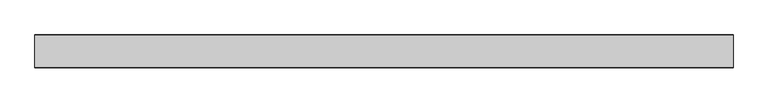
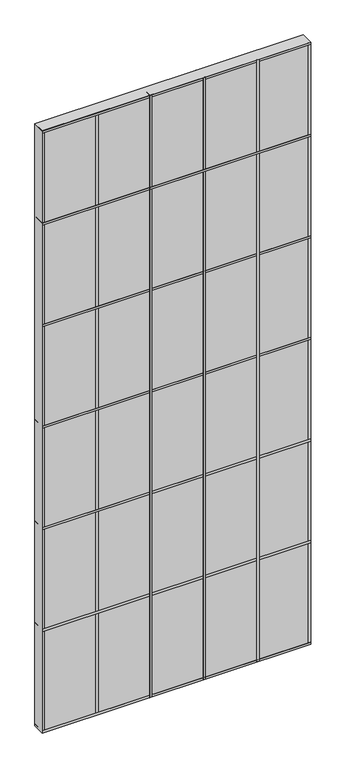
"""IFC4 building model written with IfcOpenShell, lengths in millimetres: plate geometry."""

from ifc_helpers import new_model, si_unit, frame, origin, origin_with_axes, place, context, project, spatial, polyline, outline, extrude, source, transform, mapped, element, save


def plate_79198a5a(model_context):
    return source(origin(), model_context, "Body", "SweptSolid", [
        extrude(outline(polyline([(762.0, 34.925), (762.0, -34.925), (-762.0, -34.925), (-762.0, 34.925), (762.0, 34.925)])), origin_with_axes(), (0.0, 0.0, 1.0), 3613.15),
        extrude(outline(polyline([(762.0, 35.71875), (762.0, -35.71875), (-762.0, -35.71875), (-762.0, 35.71875), (762.0, 35.71875)])), frame((0.0, 0.0, 3048.0), z_axis=(0.0, 0.0, 1.0), x_axis=(1.0, 0.0, 0.0)), (0.0, 0.0, 1.0), 12.7),
        extrude(outline(polyline([(469.9, 35.71875), (469.9, -35.71875), (457.2, -35.71875), (457.2, 35.71875), (469.9, 35.71875)])), origin_with_axes(), (0.0, 0.0, 1.0), 3613.15),
        extrude(outline(polyline([(165.1, 35.71875), (165.1, -35.71875), (152.4, -35.71875), (152.4, 35.71875), (165.1, 35.71875)])), origin_with_axes(), (0.0, 0.0, 1.0), 3613.15),
        extrude(outline(polyline([(-139.7, 35.71875), (-139.7, -35.71875), (-152.4, -35.71875), (-152.4, 35.71875), (-139.7, 35.71875)])), origin_with_axes(), (0.0, 0.0, 1.0), 3613.15),
        extrude(outline(polyline([(762.0, 35.71875), (762.0, -35.71875), (-762.0, -35.71875), (-762.0, 35.71875), (762.0, 35.71875)])), frame((0.0, 0.0, 2438.4), z_axis=(0.0, 0.0, 1.0), x_axis=(1.0, 0.0, 0.0)), (0.0, 0.0, 1.0), 12.7),
        extrude(outline(polyline([(762.0, 35.71875), (762.0, -35.71875), (-762.0, -35.71875), (-762.0, 35.71875), (762.0, 35.71875)])), frame((0.0, 0.0, 1828.8), z_axis=(0.0, 0.0, 1.0), x_axis=(1.0, 0.0, 0.0)), (0.0, 0.0, 1.0), 12.7),
        extrude(outline(polyline([(762.0, 35.71875), (762.0, -35.71875), (-762.0, -35.71875), (-762.0, 35.71875), (762.0, 35.71875)])), frame((0.0, 0.0, 1219.2), z_axis=(0.0, 0.0, 1.0), x_axis=(1.0, 0.0, 0.0)), (0.0, 0.0, 1.0), 12.7),
        extrude(outline(polyline([(762.0, 35.71875), (762.0, -35.71875), (-762.0, -35.71875), (-762.0, 35.71875), (762.0, 35.71875)])), frame((0.0, 0.0, 3600.45), z_axis=(0.0, 0.0, 1.0), x_axis=(1.0, 0.0, 0.0)), (0.0, 0.0, 1.0), 12.7),
        extrude(outline(polyline([(762.0, 35.71875), (762.0, -35.71875), (-762.0, -35.71875), (-762.0, 35.71875), (762.0, 35.71875)])), frame((0.0, 0.0, 609.6), z_axis=(0.0, 0.0, 1.0), x_axis=(1.0, 0.0, 0.0)), (0.0, 0.0, 1.0), 12.7),
        extrude(outline(polyline([(762.0, 35.71875), (762.0, -35.71875), (-762.0, -35.71875), (-762.0, 35.71875), (762.0, 35.71875)])), origin_with_axes(), (0.0, 0.0, 1.0), 12.7),
        extrude(outline(polyline([(-444.5, 35.71875), (-444.5, -35.71875), (-457.2, -35.71875), (-457.2, 35.71875), (-444.5, 35.71875)])), origin_with_axes(), (0.0, 0.0, 1.0), 3613.15),
        extrude(outline(polyline([(762.0, 35.71875), (762.0, -35.71875), (749.3, -35.71875), (749.3, 35.71875), (762.0, 35.71875)])), origin_with_axes(), (0.0, 0.0, 1.0), 3613.15),
        extrude(outline(polyline([(-749.3, 35.71875), (-749.3, -35.71875), (-762.0, -35.71875), (-762.0, 35.71875), (-749.3, 35.71875)])), origin_with_axes(), (0.0, 0.0, 1.0), 3613.15),
    ])


if __name__ == "__main__":
    model = new_model("IFC4")
    model_context = context("Model", 3, world=origin())
    ifc_project = project(units=[si_unit("LENGTHUNIT", "METRE", prefix="MILLI")], contexts=[model_context])
    site = spatial("IfcSite", under=ifc_project)
    building = spatial("IfcBuilding", under=site)
    placement = place(None, origin())
    plate_shape = plate_79198a5a(model_context)
    element("IfcPlate", 1, at=placement, inside=building, context=model_context, shape_type="MappedRepresentation", body=[
        mapped(plate_shape, transform((0.0, 0.0, 0.0), x_axis=(1.0, 0.0, 0.0), y_axis=(0.0, 1.0, 0.0), z_axis=(0.0, 0.0, 1.0))),
    ])
    save(model, "model.ifc")
